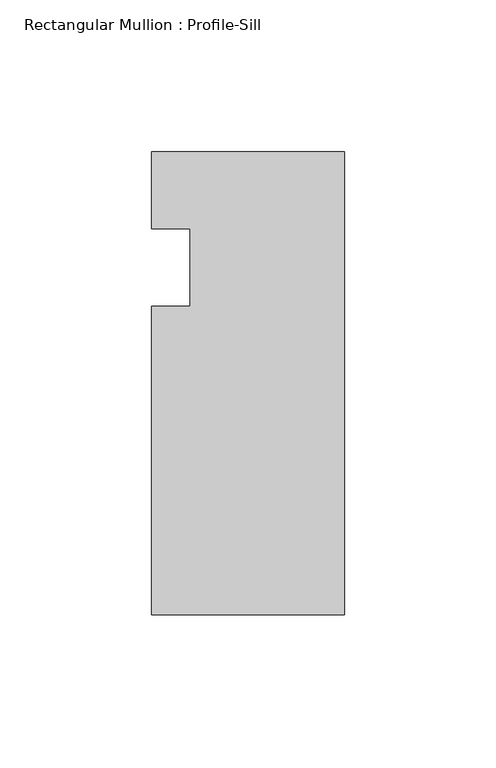
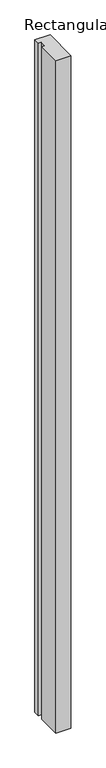
"""IFC4 building model written with IfcOpenShell, lengths in millimetres: member geometry, Rectangular Mullion : Profile-Sill."""

from ifc_helpers import new_model, si_unit, frame, origin, place, context, project, spatial, polyline, outline, extrude, source, transform, mapped, element, save


def rectangular_mullion_profile_sill_d8b7ed69(model_context):
    return source(origin(), model_context, "Body", "SweptSolid", [
        extrude(outline(polyline([(-63.5, 38.1), (0.0, 38.1), (0.0, -114.3), (-63.5, -114.3), (-63.5, -12.7), (-50.8, -12.7), (-50.8, 12.7), (-63.5, 12.7), (-63.5, 38.1)])), frame((0.0, 0.0, -2984.5), z_axis=(0.0, 0.0, 1.0), x_axis=(1.0, 0.0, 0.0)), (0.0, 0.0, 1.0), 2984.5),
    ])


if __name__ == "__main__":
    model = new_model("IFC4")
    model_context = context("Model", 3, world=origin())
    ifc_project = project(units=[si_unit("LENGTHUNIT", "METRE", prefix="MILLI")], contexts=[model_context])
    site = spatial("IfcSite", under=ifc_project)
    building = spatial("IfcBuilding", under=site)
    placement = place(None, origin())
    rectangular_mullion_profile_sill_shape = rectangular_mullion_profile_sill_d8b7ed69(model_context)
    element("IfcMember", 1, ObjectType="Rectangular Mullion : Profile-Sill", at=placement, inside=building, context=model_context, shape_type="MappedRepresentation", body=[
        mapped(rectangular_mullion_profile_sill_shape, transform((0.0, 0.0, 0.0), x_axis=(1.0, 0.0, 0.0), y_axis=(0.0, 1.0, 0.0), z_axis=(0.0, 0.0, 1.0))),
    ])
    save(model, "model.ifc")
